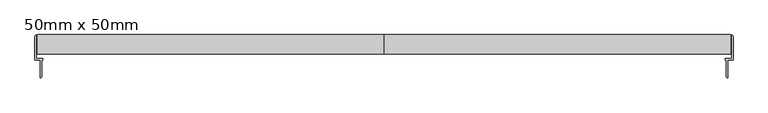
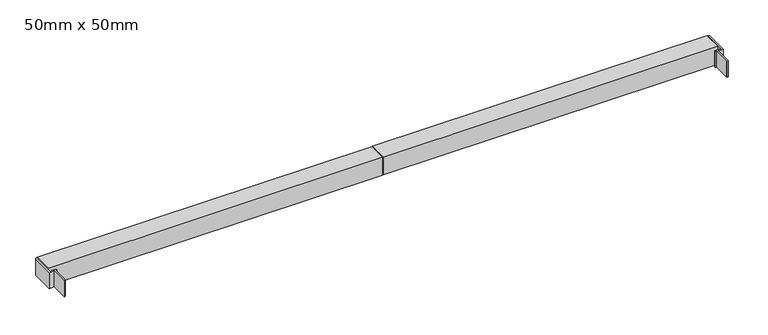
"""IFC4 building model written with IfcOpenShell, lengths in millimetres: plate geometry, 50mm x 50mm."""

import ifcopenshell
import ifcopenshell.guid

model = None  # the IFC model being written
_history = None  # IfcOwnerHistory: only IFC2X3 demands one
_inside = {}  # id of a spatial element -> (the spatial element, [elements in it])
_under = {}  # id of a project, library or spatial element -> (it, [spatial elements below it])
_declared = {}  # id of a project -> (the project, [libraries it declares])
_typed = {}  # id of a type object -> (the type object, [elements of that type])
_made_of = {}  # id of a material, layer set ... -> (it, [elements and type objects made of it])


def new_model(schema):
    """Start an empty IFC model of exactly this schema.

    Asked for "IFC4X3", IfcOpenShell would pick the latest addendum, in which some entities
    have other attributes; the version numbers below select the first issue.
    IFC2X3 requires an IfcOwnerHistory on every rooted entity: one is made here for all.
    """
    global model, _history
    if schema == "IFC4X3":
        model = ifcopenshell.file(schema_version=(4, 3, 0, 0))
    else:
        model = ifcopenshell.file(schema=schema)
    _inside.clear()
    _under.clear()
    _declared.clear()
    _typed.clear()
    _made_of.clear()
    _history = None
    if model.schema == "IFC2X3":
        org = make("IfcOrganization", Name="unknown")
        user = make(
            "IfcPersonAndOrganization",
            ThePerson=make("IfcPerson", FamilyName="unknown"),
            TheOrganization=org,
        )
        app = make(
            "IfcApplication",
            ApplicationDeveloper=org,
            Version="unknown",
            ApplicationFullName="unknown",
            ApplicationIdentifier="unknown",
        )
        _history = make(
            "IfcOwnerHistory",
            OwningUser=user,
            OwningApplication=app,
            ChangeAction="ADDED",
            CreationDate=0,
        )
    return model


def make(cls, **values):
    """One entity of the class cls with the attributes given. An attribute that is None is left unset."""
    return model.create_entity(
        cls, **{name: value for name, value in values.items() if value is not None}
    )


def rooted(cls, **values):
    """An entity with a GlobalId (a new one), such as an element, a storey or a relation."""
    return make(cls, GlobalId=ifcopenshell.guid.new(), OwnerHistory=_history, **values)


def si_unit(unit_type, name, prefix=None):
    """IfcSIUnit, for example si_unit("LENGTHUNIT", "METRE", prefix="MILLI")."""
    return make("IfcSIUnit", UnitType=unit_type, Prefix=prefix, Name=name)


def assignment(units):
    """IfcUnitAssignment: the units of a project."""
    return None if units is None else make("IfcUnitAssignment", Units=units)


def point(xyz):
    """IfcCartesianPoint."""
    return None if xyz is None else make("IfcCartesianPoint", Coordinates=xyz)


def direction(xyz):
    """IfcDirection."""
    return None if xyz is None else make("IfcDirection", DirectionRatios=xyz)


def frame(location, z_axis=None, x_axis=None):
    """IfcAxis2Placement3D, a coordinate frame: its origin and axes. An axis left out is left unset."""
    return make(
        "IfcAxis2Placement3D",
        Location=point(location),
        Axis=direction(z_axis),
        RefDirection=direction(x_axis),
    )


def origin():
    """The frame at (0, 0, 0) with its axes left unset."""
    return frame((0.0, 0.0, 0.0))


def place(relative_to, where):
    """IfcLocalPlacement: puts the frame where relative to a parent placement (None: the world)."""
    return make(
        "IfcLocalPlacement", PlacementRelTo=relative_to, RelativePlacement=where
    )


def context(
    kind, dimensions, precision=None, world=None, true_north=None, identifier=None
):
    """IfcGeometricRepresentationContext, for example the 3D "Model" context."""
    return make(
        "IfcGeometricRepresentationContext",
        ContextIdentifier=identifier,
        ContextType=kind,
        CoordinateSpaceDimension=dimensions,
        Precision=precision,
        WorldCoordinateSystem=world,
        TrueNorth=true_north,
    )


def project(units=None, contexts=None):
    """IfcProject with its units and contexts."""
    return rooted(
        "IfcProject",
        Name="project",
        RepresentationContexts=contexts,
        UnitsInContext=assignment(units),
    )


def spatial(cls, under=None, at=None, **own):
    """A site, building, storey or space (cls), placed at a placement, below another one or the project."""
    s = rooted(cls, ObjectPlacement=at, **own)
    if under is not None:
        _under.setdefault(under.id(), (under, []))[1].append(s)
    return s


def polyline(points):
    """IfcPolyline through the points."""
    return make("IfcPolyline", Points=[point(p) for p in points])


def outline(outer, holes=None, kind="AREA"):
    """IfcArbitraryClosedProfileDef: a profile drawn as a closed curve; with holes, ...WithVoids."""
    if holes is None:
        return make("IfcArbitraryClosedProfileDef", ProfileType=kind, OuterCurve=outer)
    return make(
        "IfcArbitraryProfileDefWithVoids",
        ProfileType=kind,
        OuterCurve=outer,
        InnerCurves=holes,
    )


def extrude(swept, where, along, depth):
    """IfcExtrudedAreaSolid: the profile swept, set in the frame where, extruded along a direction by depth."""
    return make(
        "IfcExtrudedAreaSolid",
        SweptArea=swept,
        Position=where,
        ExtrudedDirection=direction(along),
        Depth=depth,
    )


def shape(context_of_items, identifier, shape_type, items):
    """IfcShapeRepresentation: the items that make up one representation, for example the "Body"."""
    return make(
        "IfcShapeRepresentation",
        ContextOfItems=context_of_items,
        RepresentationIdentifier=identifier,
        RepresentationType=shape_type,
        Items=items,
    )


def source(mapping_origin, context_of_items, identifier, shape_type, items):
    """IfcRepresentationMap: a shape defined once, which mapped items show again and again."""
    return make(
        "IfcRepresentationMap",
        MappingOrigin=mapping_origin,
        MappedRepresentation=shape(context_of_items, identifier, shape_type, items),
    )


def transform(
    local_origin,
    x_axis=None,
    y_axis=None,
    z_axis=None,
    scale=None,
    scale2=None,
    scale3=None,
    uniform=True,
):
    """IfcCartesianTransformationOperator3D, or its non-uniform kind. x_axis, y_axis, z_axis: its Axis1, 2, 3."""
    if uniform:
        return make(
            "IfcCartesianTransformationOperator3D",
            Axis1=direction(x_axis),
            Axis2=direction(y_axis),
            LocalOrigin=point(local_origin),
            Scale=scale,
            Axis3=direction(z_axis),
        )
    return make(
        "IfcCartesianTransformationOperator3DnonUniform",
        Axis1=direction(x_axis),
        Axis2=direction(y_axis),
        LocalOrigin=point(local_origin),
        Scale=scale,
        Axis3=direction(z_axis),
        Scale2=scale2,
        Scale3=scale3,
    )


def mapped(mapping_source, mapping_target):
    """IfcMappedItem: shows the shape of a source again, moved by a transform."""
    return make(
        "IfcMappedItem", MappingSource=mapping_source, MappingTarget=mapping_target
    )


def made_of(thing, what):
    """Note that an element or type object is made of a material, layer set ...; save() writes the relation."""
    if what is not None:
        _made_of.setdefault(what.id(), (what, []))[1].append(thing)
    return thing


def element(
    cls,
    number,
    at=None,
    inside=None,
    cuts=None,
    type_object=None,
    material=None,
    context=None,
    identifier="Body",
    shape_type=None,
    held_by="IfcProductDefinitionShape",
    body=None,
    shapes=None,
    **own,
):
    """One element of the class cls, such as IfcWall. Its Tag is "e" and its number.

    at: its placement. inside: the storey or other place that contains it. cuts: it is an
    opening in that element (IfcRelVoidsElement). A single representation is given by context,
    identifier, shape_type and body (its items); several are given by shapes. held_by: the class
    of the entity that holds the representations. save() writes the other relations.
    """
    e = rooted(cls, Tag="e%d" % number, ObjectPlacement=at, **own)
    if body is not None:
        shapes = [shape(context, identifier, shape_type, body)]
    if shapes is not None:
        e.Representation = make(held_by, Representations=shapes)
    if inside is not None:
        _inside.setdefault(inside.id(), (inside, []))[1].append(e)
    if cuts is not None:
        rooted(
            "IfcRelVoidsElement", RelatingBuildingElement=cuts, RelatedOpeningElement=e
        )
    if type_object is not None:
        _typed.setdefault(type_object.id(), (type_object, []))[1].append(e)
    return made_of(e, material)


def aggregate(whole, parts):
    """IfcRelAggregates: a whole, such as a stair, and the parts it consists of."""
    return rooted("IfcRelAggregates", RelatingObject=whole, RelatedObjects=parts)


def save(model, path):
    """Write the relations noted so far, then the file.

    IfcRelAggregates (storeys below a building ...), IfcRelContainedInSpatialStructure (elements
    in a storey), IfcRelDefinesByType, IfcRelAssociatesMaterial and IfcRelDeclares: one each for
    every whole, place, type object, material and project.
    """
    for whole, parts in _under.values():
        aggregate(whole, parts)
    for where, things in _inside.values():
        rooted(
            "IfcRelContainedInSpatialStructure",
            RelatedElements=things,
            RelatingStructure=where,
        )
    for kind, things in _typed.values():
        rooted("IfcRelDefinesByType", RelatedObjects=things, RelatingType=kind)
    for what, things in _made_of.values():
        rooted("IfcRelAssociatesMaterial", RelatedObjects=things, RelatingMaterial=what)
    for by, libraries in _declared.values():
        rooted("IfcRelDeclares", RelatingContext=by, RelatedDefinitions=libraries)
    model.write(path)


def plate_50mm_x_50mm_b9ccc3d8(model_context):
    return source(origin(), model_context, "Body", "SweptSolid", [
        extrude(outline(polyline([(-896.0000001, 168.7422404), (-894.0000001, 170.7422404), (-892.0000001, 170.7422404), (-892.0000001, 110.7422404), (-875.5000001, 110.7422404), (-875.5000001, 106.7422404), (-878.5000001, 106.7422404), (-878.5000001, 62.7422404), (-880.5000001, 60.7422404), (-882.5000001, 60.7422404), (-882.5000001, 106.7422404), (-896.0000001, 106.7422404), (-896.0000001, 168.7422404)])), frame((0.0, 0.0, 20.0338898), z_axis=(0.0, 0.0, 1.0), x_axis=(1.0, 0.0, 0.0)), (0.0, 0.0, 1.0), 45.0),
        extrude(outline(polyline([(896.0000001, 168.7422404), (896.0000001, 106.7422404), (882.5000001, 106.7422404), (882.5000001, 60.7422404), (880.5000001, 60.7422404), (878.5000001, 62.7422404), (878.5000001, 106.7422404), (875.5000001, 106.7422404), (875.5000001, 110.7422404), (892.0000001, 110.7422404), (892.0000001, 170.7422404), (894.0000001, 170.7422404), (896.0000001, 168.7422404)])), frame((0.0, 0.0, 20.0338898), z_axis=(0.0, 0.0, 1.0), x_axis=(1.0, 0.0, 0.0)), (0.0, 0.0, 1.0), 45.0),
        extrude(outline(polyline([(171.7, 66.0316945), (171.7, 16.0316945), (121.7, 16.0316945), (121.7, 66.0316945), (171.7, 66.0316945)]), holes=[polyline([(131.7, 56.0316945), (131.7, 26.0316945), (161.7, 26.0316945), (161.7, 56.0316945), (131.7, 56.0316945)])]), frame((1.0000001, 0.0, 0.0), z_axis=(1.0, 0.0, 0.0), x_axis=(0.0, 1.0, 0.0)), (0.0, 0.0, 1.0), 888.9999998),
        extrude(outline(polyline([(171.7, 66.0316945), (171.7, 16.0316945), (121.7, 16.0316945), (121.7, 66.0316945), (171.7, 66.0316945)]), holes=[polyline([(131.7, 56.0316945), (131.7, 26.0316945), (161.7, 26.0316945), (161.7, 56.0316945), (131.7, 56.0316945)])]), frame((-889.9999999, 0.0, 0.0), z_axis=(1.0, 0.0, 0.0), x_axis=(0.0, 1.0, 0.0)), (0.0, 0.0, 1.0), 889.0),
    ])


if __name__ == "__main__":
    model = new_model("IFC4")
    model_context = context("Model", 3, world=origin())
    ifc_project = project(units=[si_unit("LENGTHUNIT", "METRE", prefix="MILLI")], contexts=[model_context])
    site = spatial("IfcSite", under=ifc_project)
    building = spatial("IfcBuilding", under=site)
    placement = place(None, origin())
    plate_50mm_x_50mm_shape = plate_50mm_x_50mm_b9ccc3d8(model_context)
    element("IfcPlate", 1, ObjectType="50mm x 50mm", at=placement, inside=building, context=model_context, shape_type="MappedRepresentation", body=[
        mapped(plate_50mm_x_50mm_shape, transform((0.0, 0.0, 0.0), x_axis=(1.0, 0.0, 0.0), y_axis=(0.0, 1.0, 0.0), z_axis=(0.0, 0.0, 1.0))),
    ])
    save(model, "model.ifc")
